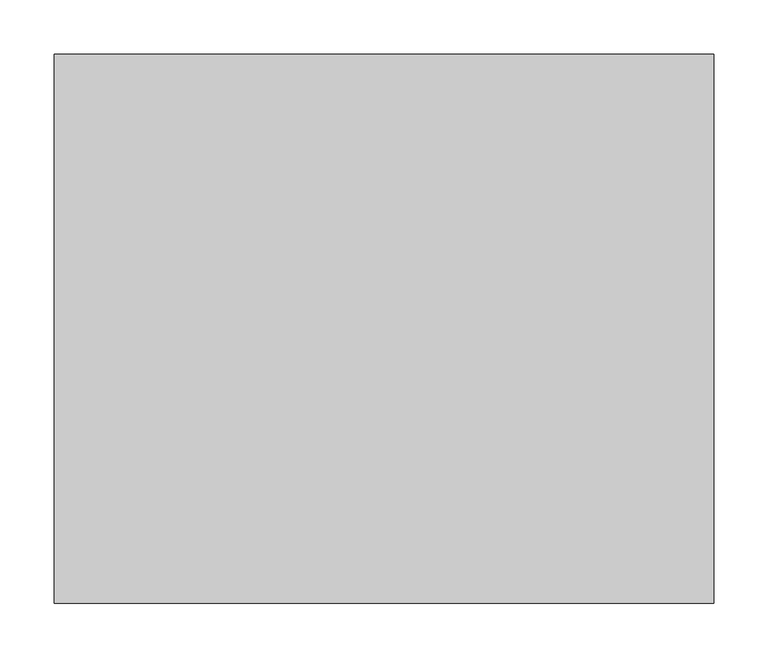
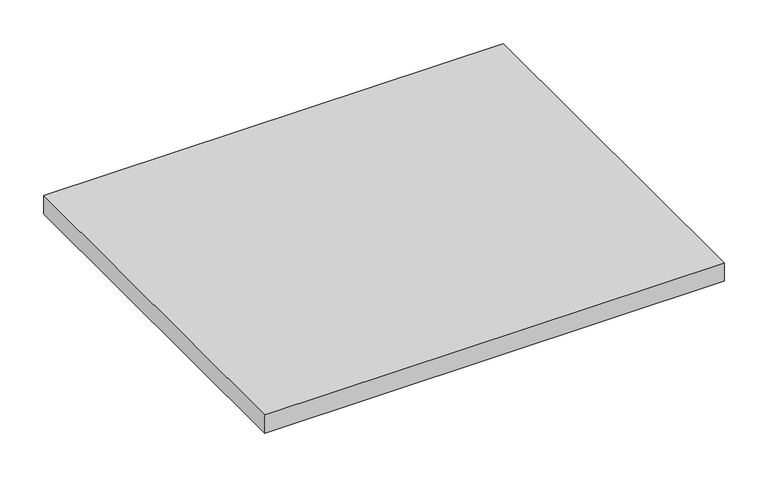
"""IFC4 building model written with IfcOpenShell, lengths in millimetres: furniture geometry."""

from ifc_helpers import new_model, si_unit, frame, origin, place, context, project, spatial, polyline, outline, extrude, source, transform, mapped, element, save


def furniture_8a350329(model_context):
    return source(origin(), model_context, "Body", "SweptSolid", [
        extrude(outline(polyline([(607.9998, -548.7539634), (607.9998, -1053.7059634), (1.6002, -1053.7059634), (1.6002, -548.7539634), (607.9998, -548.7539634)])), frame((0.0, 0.0, 561.848), z_axis=(0.0, 0.0, 1.0), x_axis=(1.0, 0.0, 0.0)), (0.0, 0.0, 1.0), 25.4),
    ])


if __name__ == "__main__":
    model = new_model("IFC4")
    model_context = context("Model", 3, world=origin())
    ifc_project = project(units=[si_unit("LENGTHUNIT", "METRE", prefix="MILLI")], contexts=[model_context])
    site = spatial("IfcSite", under=ifc_project)
    building = spatial("IfcBuilding", under=site)
    placement = place(None, origin())
    furniture_shape = furniture_8a350329(model_context)
    element("IfcFurniture", 1, at=placement, inside=building, context=model_context, shape_type="MappedRepresentation", body=[
        mapped(furniture_shape, transform((0.0, 0.0, 0.0), x_axis=(1.0, 0.0, 0.0), y_axis=(0.0, 1.0, 0.0), z_axis=(0.0, 0.0, 1.0))),
    ])
    save(model, "model.ifc")
